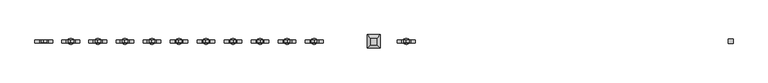
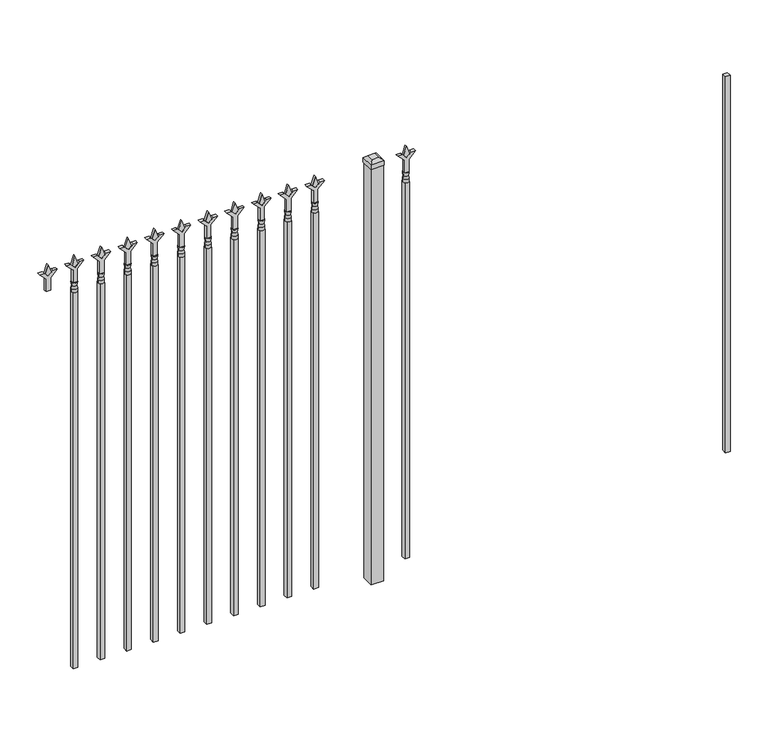
"""IFC4 building model written with IfcOpenShell, lengths in millimetres: railing geometry."""

from ifc_helpers import new_model, si_unit, frame, origin, origin_with_axes, place, context, project, spatial, polyline, circle_curve, outline, extrude, faceted_brep, source, transform, mapped, element, save
from ifc_brep_helpers import plane_surface, cylinder_surface, revolved_surface, advanced_brep


def railing_e61c3e27(model_context):
    return source(origin(), model_context, "Body", "SolidModel", [
        extrude(outline(polyline([(-64433.005587, 5470.2679826), (-64413.955587, 5470.2679826), (-64413.955587, 5451.2179826), (-64433.005587, 5451.2179826), (-64433.005587, 5470.2679826)])), frame((0.0, 0.0, 50.8), z_axis=(0.0, 0.0, 1.0), x_axis=(1.0, 0.0, 0.0)), (0.0, 0.0, 1.0), 1625.6),
        extrude(outline(polyline([(1793.08125, -65722.849337), (1828.8, -65734.755587), (1793.08125, -65746.661837), (1781.175, -65734.755587), (1793.08125, -65722.849337)])), frame((0.0, 5455.9804826, 0.0), z_axis=(0.0, 1.0, 0.0), x_axis=(0.0, 0.0, 1.0)), (0.0, 0.0, 1.0), 9.525),
        extrude(outline(polyline([(1717.675, -65726.024337), (1771.9457378, -65726.024337), (1799.1355122, -65698.8345625), (1799.1355122, -65716.7950747), (1781.175, -65734.755587), (1799.1355122, -65752.7160992), (1799.1355122, -65770.6766114), (1771.9457378, -65743.486837), (1717.675, -65743.486837), (1717.675, -65726.024337)])), frame((0.0, 5454.3929826, 0.0), z_axis=(0.0, 1.0, 0.0), x_axis=(0.0, 0.0, 1.0)), (0.0, 0.0, 1.0), 12.7),
        advanced_brep(
        [(-65722.849337, 5460.7429826, 1689.1), (-65746.661837, 5460.7429826, 1689.1), (-65746.661837, 5460.7429826, 1676.4), (-65722.849337, 5460.7429826, 1676.4), (-65725.0546688, 5460.7429826, 1701.6070585), (-65744.4565051, 5460.7429826, 1701.6070585), (-65722.849337, 5460.7429826, 1717.675), (-65746.661837, 5460.7429826, 1717.675), (-65734.755587, 5460.7429826, 1717.675), (-65734.755587, 5460.7429826, 1676.4)],
        [
            (0, 1, circle_curve(frame((-65734.755587, 5460.7429826, 1689.1), z_axis=(0.0, 0.0, -1.0), x_axis=(-1.0, 0.0, 0.0)), 11.90625)),
            (1, 2),
            (2, 3, circle_curve(frame((-65734.755587, 5460.7429826, 1676.4), z_axis=(0.0, 0.0, 1.0), x_axis=(-1.0, 0.0, 0.0)), 11.90625)),
            (3, 0),
            (1, 0, circle_curve(frame((-65734.755587, 5460.7429826, 1689.1), z_axis=(0.0, 0.0, -1.0), x_axis=(-1.0, 0.0, 0.0)), 11.90625)),
            (3, 2, circle_curve(frame((-65734.755587, 5460.7429826, 1676.4), z_axis=(0.0, 0.0, 1.0), x_axis=(-1.0, 0.0, 0.0)), 11.90625)),
            (4, 5, circle_curve(frame((-65734.755587, 5460.7429826, 1701.6070585), z_axis=(0.0, 0.0, -1.0), x_axis=(-1.0, 0.0, 0.0)), 9.7009181)),
            (5, 1),
            (0, 4),
            (5, 4, circle_curve(frame((-65734.755587, 5460.7429826, 1701.6070585), z_axis=(0.0, 0.0, -1.0), x_axis=(-1.0, 0.0, 0.0)), 9.7009181)),
            (6, 7, circle_curve(frame((-65734.755587, 5460.7429826, 1717.675), z_axis=(0.0, 0.0, -1.0), x_axis=(-1.0, 0.0, 0.0)), 11.90625)),
            (7, 5),
            (4, 6),
            (7, 6, circle_curve(frame((-65734.755587, 5460.7429826, 1717.675), z_axis=(0.0, 0.0, -1.0), x_axis=(-1.0, 0.0, 0.0)), 11.90625)),
            (8, 7),
            (6, 8),
            (2, 9),
            (9, 3),
        ],
        [
            cylinder_surface(frame((-65734.755587, 5460.7429826, 1676.4), z_axis=(0.0, 0.0, 1.0), x_axis=(-1.0, 0.0, 0.0)), 11.90625),
            revolved_surface(polyline([(-65746.661837, 5460.7429826, 1689.1), (-65744.4565051, 5460.7429826, 1701.6070585)]), (-65734.755587, 5460.7429826, 1676.4), (0.0, 0.0, 1.0)),
            revolved_surface(polyline([(-65744.4565051, 5460.7429826, 1701.6070585), (-65746.661837, 5460.7429826, 1717.675)]), (-65734.755587, 5460.7429826, 1676.4), (0.0, 0.0, 1.0)),
            plane_surface(frame((-65734.755587, 5460.7429826, 1717.675), z_axis=(0.0, 0.0, 1.0), x_axis=(-1.0, 0.0, 0.0))),
            plane_surface(frame((-65734.755587, 5460.7429826, 1676.4), z_axis=(0.0, 0.0, -1.0), x_axis=(-1.0, 0.0, 0.0))),
        ],
        [
            (0, [[1, 2, 3, 4]]),
            (0, [[5, -4, 6, -2]]),
            (1, [[7, 8, -1, 9]]),
            (1, [[10, -9, -5, -8]]),
            (2, [[11, 12, -7, 13]]),
            (2, [[14, -13, -10, -12]]),
            (3, [[15, -11, 16]]),
            (3, [[-16, -14, -15]]),
            (4, [[-3, 17, 18]]),
            (4, [[-6, -18, -17]]),
        ],
    ),
        extrude(outline(polyline([(-65744.280587, 5470.2679826), (-65725.230587, 5470.2679826), (-65725.230587, 5451.2179826), (-65744.280587, 5451.2179826), (-65744.280587, 5470.2679826)])), frame((0.0, 0.0, 50.8), z_axis=(0.0, 0.0, 1.0), x_axis=(1.0, 0.0, 0.0)), (0.0, 0.0, 1.0), 1625.6),
        extrude(outline(polyline([(-65841.118087, 5486.1429826), (-65841.118087, 5435.3429826), (-65891.918087, 5435.3429826), (-65891.918087, 5486.1429826), (-65841.118087, 5486.1429826)])), origin_with_axes(), (0.0, 0.0, 1.0), 1797.05),
        faceted_brep([(-65893.505587, 5487.7304826, 1816.1), (-65893.505587, 5487.7304826, 1797.05), (-65893.505587, 5433.7554826, 1797.05), (-65893.505587, 5433.7554826, 1816.1), (-65880.805587, 5475.0304826, 1828.8), (-65880.805587, 5446.4554826, 1828.8), (-65839.530587, 5433.7554826, 1797.05), (-65839.530587, 5433.7554826, 1816.1), (-65852.230587, 5446.4554826, 1828.8), (-65839.530587, 5487.7304826, 1797.05), (-65839.530587, 5487.7304826, 1816.1), (-65852.230587, 5475.0304826, 1828.8)], [[[0, 1, 2, 3]], [[4, 0, 3, 5]], [[3, 2, 6, 7]], [[5, 3, 7, 8]], [[7, 6, 9, 10]], [[8, 7, 10, 11]], [[10, 9, 1, 0]], [[11, 10, 0, 4]], [[5, 8, 11, 4]], [[1, 9, 6, 2]]]),
        extrude(outline(polyline([(1793.08125, -66095.6472536), (1828.8, -66107.5535036), (1793.08125, -66119.4597536), (1781.175, -66107.5535036), (1793.08125, -66095.6472536)])), frame((0.0, 5455.9804826, 0.0), z_axis=(0.0, 1.0, 0.0), x_axis=(0.0, 0.0, 1.0)), (0.0, 0.0, 1.0), 9.525),
        extrude(outline(polyline([(1717.675, -66098.8222536), (1771.9457378, -66098.8222536), (1799.1355122, -66071.6324791), (1799.1355122, -66089.5929914), (1781.175, -66107.5535036), (1799.1355122, -66125.5140159), (1799.1355122, -66143.4745281), (1771.9457378, -66116.2847536), (1717.675, -66116.2847536), (1717.675, -66098.8222536)])), frame((0.0, 5454.3929826, 0.0), z_axis=(0.0, 1.0, 0.0), x_axis=(0.0, 0.0, 1.0)), (0.0, 0.0, 1.0), 12.7),
        advanced_brep(
        [(-66095.6472536, 5460.7429826, 1689.1), (-66119.4597536, 5460.7429826, 1689.1), (-66119.4597536, 5460.7429826, 1676.4), (-66095.6472536, 5460.7429826, 1676.4), (-66097.8525855, 5460.7429826, 1701.6070585), (-66117.2544218, 5460.7429826, 1701.6070585), (-66095.6472536, 5460.7429826, 1717.675), (-66119.4597536, 5460.7429826, 1717.675), (-66107.5535036, 5460.7429826, 1717.675), (-66107.5535036, 5460.7429826, 1676.4)],
        [
            (0, 1, circle_curve(frame((-66107.5535036, 5460.7429826, 1689.1), z_axis=(0.0, 0.0, -1.0), x_axis=(-1.0, 0.0, 0.0)), 11.90625)),
            (1, 2),
            (2, 3, circle_curve(frame((-66107.5535036, 5460.7429826, 1676.4), z_axis=(0.0, 0.0, 1.0), x_axis=(-1.0, 0.0, 0.0)), 11.90625)),
            (3, 0),
            (1, 0, circle_curve(frame((-66107.5535036, 5460.7429826, 1689.1), z_axis=(0.0, 0.0, -1.0), x_axis=(-1.0, 0.0, 0.0)), 11.90625)),
            (3, 2, circle_curve(frame((-66107.5535036, 5460.7429826, 1676.4), z_axis=(0.0, 0.0, 1.0), x_axis=(-1.0, 0.0, 0.0)), 11.90625)),
            (4, 5, circle_curve(frame((-66107.5535036, 5460.7429826, 1701.6070585), z_axis=(0.0, 0.0, -1.0), x_axis=(-1.0, 0.0, 0.0)), 9.7009181)),
            (5, 1),
            (0, 4),
            (5, 4, circle_curve(frame((-66107.5535036, 5460.7429826, 1701.6070585), z_axis=(0.0, 0.0, -1.0), x_axis=(-1.0, 0.0, 0.0)), 9.7009181)),
            (6, 7, circle_curve(frame((-66107.5535036, 5460.7429826, 1717.675), z_axis=(0.0, 0.0, -1.0), x_axis=(-1.0, 0.0, 0.0)), 11.90625)),
            (7, 5),
            (4, 6),
            (7, 6, circle_curve(frame((-66107.5535036, 5460.7429826, 1717.675), z_axis=(0.0, 0.0, -1.0), x_axis=(-1.0, 0.0, 0.0)), 11.90625)),
            (8, 7),
            (6, 8),
            (2, 9),
            (9, 3),
        ],
        [
            cylinder_surface(frame((-66107.5535036, 5460.7429826, 1676.4), z_axis=(0.0, 0.0, 1.0), x_axis=(-1.0, 0.0, 0.0)), 11.90625),
            revolved_surface(polyline([(-66119.4597536, 5460.7429826, 1689.1), (-66117.2544218, 5460.7429826, 1701.6070585)]), (-66107.5535036, 5460.7429826, 1676.4), (0.0, 0.0, 1.0)),
            revolved_surface(polyline([(-66117.2544218, 5460.7429826, 1701.6070585), (-66119.4597536, 5460.7429826, 1717.675)]), (-66107.5535036, 5460.7429826, 1676.4), (0.0, 0.0, 1.0)),
            plane_surface(frame((-66107.5535036, 5460.7429826, 1717.675), z_axis=(0.0, 0.0, 1.0), x_axis=(-1.0, 0.0, 0.0))),
            plane_surface(frame((-66107.5535036, 5460.7429826, 1676.4), z_axis=(0.0, 0.0, -1.0), x_axis=(-1.0, 0.0, 0.0))),
        ],
        [
            (0, [[1, 2, 3, 4]]),
            (0, [[5, -4, 6, -2]]),
            (1, [[7, 8, -1, 9]]),
            (1, [[10, -9, -5, -8]]),
            (2, [[11, 12, -7, 13]]),
            (2, [[14, -13, -10, -12]]),
            (3, [[15, -11, 16]]),
            (3, [[-16, -14, -15]]),
            (4, [[-3, 17, 18]]),
            (4, [[-6, -18, -17]]),
        ],
    ),
        extrude(outline(polyline([(-66117.0785036, 5470.2679826), (-66098.0285036, 5470.2679826), (-66098.0285036, 5451.2179826), (-66117.0785036, 5451.2179826), (-66117.0785036, 5470.2679826)])), frame((0.0, 0.0, 50.8), z_axis=(0.0, 0.0, 1.0), x_axis=(1.0, 0.0, 0.0)), (0.0, 0.0, 1.0), 1625.6),
        extrude(outline(polyline([(1793.08125, -66204.9201703), (1828.8, -66216.8264203), (1793.08125, -66228.7326703), (1781.175, -66216.8264203), (1793.08125, -66204.9201703)])), frame((0.0, 5455.9804826, 0.0), z_axis=(0.0, 1.0, 0.0), x_axis=(0.0, 0.0, 1.0)), (0.0, 0.0, 1.0), 9.525),
        extrude(outline(polyline([(1717.675, -66208.0951703), (1771.9457378, -66208.0951703), (1799.1355122, -66180.9053958), (1799.1355122, -66198.8659081), (1781.175, -66216.8264203), (1799.1355122, -66234.7869325), (1799.1355122, -66252.7474448), (1771.9457378, -66225.5576703), (1717.675, -66225.5576703), (1717.675, -66208.0951703)])), frame((0.0, 5454.3929826, 0.0), z_axis=(0.0, 1.0, 0.0), x_axis=(0.0, 0.0, 1.0)), (0.0, 0.0, 1.0), 12.7),
        advanced_brep(
        [(-66204.9201703, 5460.7429826, 1689.1), (-66228.7326703, 5460.7429826, 1689.1), (-66228.7326703, 5460.7429826, 1676.4), (-66204.9201703, 5460.7429826, 1676.4), (-66207.1255022, 5460.7429826, 1701.6070585), (-66226.5273384, 5460.7429826, 1701.6070585), (-66204.9201703, 5460.7429826, 1717.675), (-66228.7326703, 5460.7429826, 1717.675), (-66216.8264203, 5460.7429826, 1717.675), (-66216.8264203, 5460.7429826, 1676.4)],
        [
            (0, 1, circle_curve(frame((-66216.8264203, 5460.7429826, 1689.1), z_axis=(0.0, 0.0, -1.0), x_axis=(-1.0, 0.0, 0.0)), 11.90625)),
            (1, 2),
            (2, 3, circle_curve(frame((-66216.8264203, 5460.7429826, 1676.4), z_axis=(0.0, 0.0, 1.0), x_axis=(-1.0, 0.0, 0.0)), 11.90625)),
            (3, 0),
            (1, 0, circle_curve(frame((-66216.8264203, 5460.7429826, 1689.1), z_axis=(0.0, 0.0, -1.0), x_axis=(-1.0, 0.0, 0.0)), 11.90625)),
            (3, 2, circle_curve(frame((-66216.8264203, 5460.7429826, 1676.4), z_axis=(0.0, 0.0, 1.0), x_axis=(-1.0, 0.0, 0.0)), 11.90625)),
            (4, 5, circle_curve(frame((-66216.8264203, 5460.7429826, 1701.6070585), z_axis=(0.0, 0.0, -1.0), x_axis=(-1.0, 0.0, 0.0)), 9.7009181)),
            (5, 1),
            (0, 4),
            (5, 4, circle_curve(frame((-66216.8264203, 5460.7429826, 1701.6070585), z_axis=(0.0, 0.0, -1.0), x_axis=(-1.0, 0.0, 0.0)), 9.7009181)),
            (6, 7, circle_curve(frame((-66216.8264203, 5460.7429826, 1717.675), z_axis=(0.0, 0.0, -1.0), x_axis=(-1.0, 0.0, 0.0)), 11.90625)),
            (7, 5),
            (4, 6),
            (7, 6, circle_curve(frame((-66216.8264203, 5460.7429826, 1717.675), z_axis=(0.0, 0.0, -1.0), x_axis=(-1.0, 0.0, 0.0)), 11.90625)),
            (8, 7),
            (6, 8),
            (2, 9),
            (9, 3),
        ],
        [
            cylinder_surface(frame((-66216.8264203, 5460.7429826, 1676.4), z_axis=(0.0, 0.0, 1.0), x_axis=(-1.0, 0.0, 0.0)), 11.90625),
            revolved_surface(polyline([(-66228.7326703, 5460.7429826, 1689.1), (-66226.5273384, 5460.7429826, 1701.6070585)]), (-66216.8264203, 5460.7429826, 1676.4), (0.0, 0.0, 1.0)),
            revolved_surface(polyline([(-66226.5273384, 5460.7429826, 1701.6070585), (-66228.7326703, 5460.7429826, 1717.675)]), (-66216.8264203, 5460.7429826, 1676.4), (0.0, 0.0, 1.0)),
            plane_surface(frame((-66216.8264203, 5460.7429826, 1717.675), z_axis=(0.0, 0.0, 1.0), x_axis=(-1.0, 0.0, 0.0))),
            plane_surface(frame((-66216.8264203, 5460.7429826, 1676.4), z_axis=(0.0, 0.0, -1.0), x_axis=(-1.0, 0.0, 0.0))),
        ],
        [
            (0, [[1, 2, 3, 4]]),
            (0, [[5, -4, 6, -2]]),
            (1, [[7, 8, -1, 9]]),
            (1, [[10, -9, -5, -8]]),
            (2, [[11, 12, -7, 13]]),
            (2, [[14, -13, -10, -12]]),
            (3, [[15, -11, 16]]),
            (3, [[-16, -14, -15]]),
            (4, [[-3, 17, 18]]),
            (4, [[-6, -18, -17]]),
        ],
    ),
        extrude(outline(polyline([(-66226.3514203, 5470.2679826), (-66207.3014203, 5470.2679826), (-66207.3014203, 5451.2179826), (-66226.3514203, 5451.2179826), (-66226.3514203, 5470.2679826)])), frame((0.0, 0.0, 50.8), z_axis=(0.0, 0.0, 1.0), x_axis=(1.0, 0.0, 0.0)), (0.0, 0.0, 1.0), 1625.6),
        extrude(outline(polyline([(1793.08125, -66314.193087), (1828.8, -66326.099337), (1793.08125, -66338.005587), (1781.175, -66326.099337), (1793.08125, -66314.193087)])), frame((0.0, 5455.9804826, 0.0), z_axis=(0.0, 1.0, 0.0), x_axis=(0.0, 0.0, 1.0)), (0.0, 0.0, 1.0), 9.525),
        extrude(outline(polyline([(1717.675, -66317.368087), (1771.9457378, -66317.368087), (1799.1355122, -66290.1783125), (1799.1355122, -66308.1388247), (1781.175, -66326.099337), (1799.1355122, -66344.0598492), (1799.1355122, -66362.0203614), (1771.9457378, -66334.830587), (1717.675, -66334.830587), (1717.675, -66317.368087)])), frame((0.0, 5454.3929826, 0.0), z_axis=(0.0, 1.0, 0.0), x_axis=(0.0, 0.0, 1.0)), (0.0, 0.0, 1.0), 12.7),
        advanced_brep(
        [(-66314.193087, 5460.7429826, 1689.1), (-66338.005587, 5460.7429826, 1689.1), (-66338.005587, 5460.7429826, 1676.4), (-66314.193087, 5460.7429826, 1676.4), (-66316.3984188, 5460.7429826, 1701.6070585), (-66335.8002551, 5460.7429826, 1701.6070585), (-66314.193087, 5460.7429826, 1717.675), (-66338.005587, 5460.7429826, 1717.675), (-66326.099337, 5460.7429826, 1717.675), (-66326.099337, 5460.7429826, 1676.4)],
        [
            (0, 1, circle_curve(frame((-66326.099337, 5460.7429826, 1689.1), z_axis=(0.0, 0.0, -1.0), x_axis=(-1.0, 0.0, 0.0)), 11.90625)),
            (1, 2),
            (2, 3, circle_curve(frame((-66326.099337, 5460.7429826, 1676.4), z_axis=(0.0, 0.0, 1.0), x_axis=(-1.0, 0.0, 0.0)), 11.90625)),
            (3, 0),
            (1, 0, circle_curve(frame((-66326.099337, 5460.7429826, 1689.1), z_axis=(0.0, 0.0, -1.0), x_axis=(-1.0, 0.0, 0.0)), 11.90625)),
            (3, 2, circle_curve(frame((-66326.099337, 5460.7429826, 1676.4), z_axis=(0.0, 0.0, 1.0), x_axis=(-1.0, 0.0, 0.0)), 11.90625)),
            (4, 5, circle_curve(frame((-66326.099337, 5460.7429826, 1701.6070585), z_axis=(0.0, 0.0, -1.0), x_axis=(-1.0, 0.0, 0.0)), 9.7009181)),
            (5, 1),
            (0, 4),
            (5, 4, circle_curve(frame((-66326.099337, 5460.7429826, 1701.6070585), z_axis=(0.0, 0.0, -1.0), x_axis=(-1.0, 0.0, 0.0)), 9.7009181)),
            (6, 7, circle_curve(frame((-66326.099337, 5460.7429826, 1717.675), z_axis=(0.0, 0.0, -1.0), x_axis=(-1.0, 0.0, 0.0)), 11.90625)),
            (7, 5),
            (4, 6),
            (7, 6, circle_curve(frame((-66326.099337, 5460.7429826, 1717.675), z_axis=(0.0, 0.0, -1.0), x_axis=(-1.0, 0.0, 0.0)), 11.90625)),
            (8, 7),
            (6, 8),
            (2, 9),
            (9, 3),
        ],
        [
            cylinder_surface(frame((-66326.099337, 5460.7429826, 1676.4), z_axis=(0.0, 0.0, 1.0), x_axis=(-1.0, 0.0, 0.0)), 11.90625),
            revolved_surface(polyline([(-66338.005587, 5460.7429826, 1689.1), (-66335.8002551, 5460.7429826, 1701.6070585)]), (-66326.099337, 5460.7429826, 1676.4), (0.0, 0.0, 1.0)),
            revolved_surface(polyline([(-66335.8002551, 5460.7429826, 1701.6070585), (-66338.005587, 5460.7429826, 1717.675)]), (-66326.099337, 5460.7429826, 1676.4), (0.0, 0.0, 1.0)),
            plane_surface(frame((-66326.099337, 5460.7429826, 1717.675), z_axis=(0.0, 0.0, 1.0), x_axis=(-1.0, 0.0, 0.0))),
            plane_surface(frame((-66326.099337, 5460.7429826, 1676.4), z_axis=(0.0, 0.0, -1.0), x_axis=(-1.0, 0.0, 0.0))),
        ],
        [
            (0, [[1, 2, 3, 4]]),
            (0, [[5, -4, 6, -2]]),
            (1, [[7, 8, -1, 9]]),
            (1, [[10, -9, -5, -8]]),
            (2, [[11, 12, -7, 13]]),
            (2, [[14, -13, -10, -12]]),
            (3, [[15, -11, 16]]),
            (3, [[-16, -14, -15]]),
            (4, [[-3, 17, 18]]),
            (4, [[-6, -18, -17]]),
        ],
    ),
        extrude(outline(polyline([(-66335.624337, 5470.2679826), (-66316.574337, 5470.2679826), (-66316.574337, 5451.2179826), (-66335.624337, 5451.2179826), (-66335.624337, 5470.2679826)])), frame((0.0, 0.0, 50.8), z_axis=(0.0, 0.0, 1.0), x_axis=(1.0, 0.0, 0.0)), (0.0, 0.0, 1.0), 1625.6),
        extrude(outline(polyline([(1793.08125, -66423.4660036), (1828.8, -66435.3722536), (1793.08125, -66447.2785036), (1781.175, -66435.3722536), (1793.08125, -66423.4660036)])), frame((0.0, 5455.9804826, 0.0), z_axis=(0.0, 1.0, 0.0), x_axis=(0.0, 0.0, 1.0)), (0.0, 0.0, 1.0), 9.525),
        extrude(outline(polyline([(1717.675, -66426.6410036), (1771.9457378, -66426.6410036), (1799.1355122, -66399.4512291), (1799.1355122, -66417.4117414), (1781.175, -66435.3722536), (1799.1355122, -66453.3327659), (1799.1355122, -66471.2932781), (1771.9457378, -66444.1035036), (1717.675, -66444.1035036), (1717.675, -66426.6410036)])), frame((0.0, 5454.3929826, 0.0), z_axis=(0.0, 1.0, 0.0), x_axis=(0.0, 0.0, 1.0)), (0.0, 0.0, 1.0), 12.7),
        advanced_brep(
        [(-66423.4660036, 5460.7429826, 1689.1), (-66447.2785036, 5460.7429826, 1689.1), (-66447.2785036, 5460.7429826, 1676.4), (-66423.4660036, 5460.7429826, 1676.4), (-66425.6713355, 5460.7429826, 1701.6070585), (-66445.0731718, 5460.7429826, 1701.6070585), (-66423.4660036, 5460.7429826, 1717.675), (-66447.2785036, 5460.7429826, 1717.675), (-66435.3722536, 5460.7429826, 1717.675), (-66435.3722536, 5460.7429826, 1676.4)],
        [
            (0, 1, circle_curve(frame((-66435.3722536, 5460.7429826, 1689.1), z_axis=(0.0, 0.0, -1.0), x_axis=(-1.0, 0.0, 0.0)), 11.90625)),
            (1, 2),
            (2, 3, circle_curve(frame((-66435.3722536, 5460.7429826, 1676.4), z_axis=(0.0, 0.0, 1.0), x_axis=(-1.0, 0.0, 0.0)), 11.90625)),
            (3, 0),
            (1, 0, circle_curve(frame((-66435.3722536, 5460.7429826, 1689.1), z_axis=(0.0, 0.0, -1.0), x_axis=(-1.0, 0.0, 0.0)), 11.90625)),
            (3, 2, circle_curve(frame((-66435.3722536, 5460.7429826, 1676.4), z_axis=(0.0, 0.0, 1.0), x_axis=(-1.0, 0.0, 0.0)), 11.90625)),
            (4, 5, circle_curve(frame((-66435.3722536, 5460.7429826, 1701.6070585), z_axis=(0.0, 0.0, -1.0), x_axis=(-1.0, 0.0, 0.0)), 9.7009181)),
            (5, 1),
            (0, 4),
            (5, 4, circle_curve(frame((-66435.3722536, 5460.7429826, 1701.6070585), z_axis=(0.0, 0.0, -1.0), x_axis=(-1.0, 0.0, 0.0)), 9.7009181)),
            (6, 7, circle_curve(frame((-66435.3722536, 5460.7429826, 1717.675), z_axis=(0.0, 0.0, -1.0), x_axis=(-1.0, 0.0, 0.0)), 11.90625)),
            (7, 5),
            (4, 6),
            (7, 6, circle_curve(frame((-66435.3722536, 5460.7429826, 1717.675), z_axis=(0.0, 0.0, -1.0), x_axis=(-1.0, 0.0, 0.0)), 11.90625)),
            (8, 7),
            (6, 8),
            (2, 9),
            (9, 3),
        ],
        [
            cylinder_surface(frame((-66435.3722536, 5460.7429826, 1676.4), z_axis=(0.0, 0.0, 1.0), x_axis=(-1.0, 0.0, 0.0)), 11.90625),
            revolved_surface(polyline([(-66447.2785036, 5460.7429826, 1689.1), (-66445.0731718, 5460.7429826, 1701.6070585)]), (-66435.3722536, 5460.7429826, 1676.4), (0.0, 0.0, 1.0)),
            revolved_surface(polyline([(-66445.0731718, 5460.7429826, 1701.6070585), (-66447.2785036, 5460.7429826, 1717.675)]), (-66435.3722536, 5460.7429826, 1676.4), (0.0, 0.0, 1.0)),
            plane_surface(frame((-66435.3722536, 5460.7429826, 1717.675), z_axis=(0.0, 0.0, 1.0), x_axis=(-1.0, 0.0, 0.0))),
            plane_surface(frame((-66435.3722536, 5460.7429826, 1676.4), z_axis=(0.0, 0.0, -1.0), x_axis=(-1.0, 0.0, 0.0))),
        ],
        [
            (0, [[1, 2, 3, 4]]),
            (0, [[5, -4, 6, -2]]),
            (1, [[7, 8, -1, 9]]),
            (1, [[10, -9, -5, -8]]),
            (2, [[11, 12, -7, 13]]),
            (2, [[14, -13, -10, -12]]),
            (3, [[15, -11, 16]]),
            (3, [[-16, -14, -15]]),
            (4, [[-3, 17, 18]]),
            (4, [[-6, -18, -17]]),
        ],
    ),
        extrude(outline(polyline([(-66444.8972536, 5470.2679826), (-66425.8472536, 5470.2679826), (-66425.8472536, 5451.2179826), (-66444.8972536, 5451.2179826), (-66444.8972536, 5470.2679826)])), frame((0.0, 0.0, 50.8), z_axis=(0.0, 0.0, 1.0), x_axis=(1.0, 0.0, 0.0)), (0.0, 0.0, 1.0), 1625.6),
        extrude(outline(polyline([(1793.08125, -66532.7389203), (1828.8, -66544.6451703), (1793.08125, -66556.5514203), (1781.175, -66544.6451703), (1793.08125, -66532.7389203)])), frame((0.0, 5455.9804826, 0.0), z_axis=(0.0, 1.0, 0.0), x_axis=(0.0, 0.0, 1.0)), (0.0, 0.0, 1.0), 9.525),
        extrude(outline(polyline([(1717.675, -66535.9139203), (1771.9457378, -66535.9139203), (1799.1355122, -66508.7241458), (1799.1355122, -66526.6846581), (1781.175, -66544.6451703), (1799.1355122, -66562.6056825), (1799.1355122, -66580.5661948), (1771.9457378, -66553.3764203), (1717.675, -66553.3764203), (1717.675, -66535.9139203)])), frame((0.0, 5454.3929826, 0.0), z_axis=(0.0, 1.0, 0.0), x_axis=(0.0, 0.0, 1.0)), (0.0, 0.0, 1.0), 12.7),
        advanced_brep(
        [(-66532.7389203, 5460.7429826, 1689.1), (-66556.5514203, 5460.7429826, 1689.1), (-66556.5514203, 5460.7429826, 1676.4), (-66532.7389203, 5460.7429826, 1676.4), (-66534.9442522, 5460.7429826, 1701.6070585), (-66554.3460884, 5460.7429826, 1701.6070585), (-66532.7389203, 5460.7429826, 1717.675), (-66556.5514203, 5460.7429826, 1717.675), (-66544.6451703, 5460.7429826, 1717.675), (-66544.6451703, 5460.7429826, 1676.4)],
        [
            (0, 1, circle_curve(frame((-66544.6451703, 5460.7429826, 1689.1), z_axis=(0.0, 0.0, -1.0), x_axis=(-1.0, 0.0, 0.0)), 11.90625)),
            (1, 2),
            (2, 3, circle_curve(frame((-66544.6451703, 5460.7429826, 1676.4), z_axis=(0.0, 0.0, 1.0), x_axis=(-1.0, 0.0, 0.0)), 11.90625)),
            (3, 0),
            (1, 0, circle_curve(frame((-66544.6451703, 5460.7429826, 1689.1), z_axis=(0.0, 0.0, -1.0), x_axis=(-1.0, 0.0, 0.0)), 11.90625)),
            (3, 2, circle_curve(frame((-66544.6451703, 5460.7429826, 1676.4), z_axis=(0.0, 0.0, 1.0), x_axis=(-1.0, 0.0, 0.0)), 11.90625)),
            (4, 5, circle_curve(frame((-66544.6451703, 5460.7429826, 1701.6070585), z_axis=(0.0, 0.0, -1.0), x_axis=(-1.0, 0.0, 0.0)), 9.7009181)),
            (5, 1),
            (0, 4),
            (5, 4, circle_curve(frame((-66544.6451703, 5460.7429826, 1701.6070585), z_axis=(0.0, 0.0, -1.0), x_axis=(-1.0, 0.0, 0.0)), 9.7009181)),
            (6, 7, circle_curve(frame((-66544.6451703, 5460.7429826, 1717.675), z_axis=(0.0, 0.0, -1.0), x_axis=(-1.0, 0.0, 0.0)), 11.90625)),
            (7, 5),
            (4, 6),
            (7, 6, circle_curve(frame((-66544.6451703, 5460.7429826, 1717.675), z_axis=(0.0, 0.0, -1.0), x_axis=(-1.0, 0.0, 0.0)), 11.90625)),
            (8, 7),
            (6, 8),
            (2, 9),
            (9, 3),
        ],
        [
            cylinder_surface(frame((-66544.6451703, 5460.7429826, 1676.4), z_axis=(0.0, 0.0, 1.0), x_axis=(-1.0, 0.0, 0.0)), 11.90625),
            revolved_surface(polyline([(-66556.5514203, 5460.7429826, 1689.1), (-66554.3460884, 5460.7429826, 1701.6070585)]), (-66544.6451703, 5460.7429826, 1676.4), (0.0, 0.0, 1.0)),
            revolved_surface(polyline([(-66554.3460884, 5460.7429826, 1701.6070585), (-66556.5514203, 5460.7429826, 1717.675)]), (-66544.6451703, 5460.7429826, 1676.4), (0.0, 0.0, 1.0)),
            plane_surface(frame((-66544.6451703, 5460.7429826, 1717.675), z_axis=(0.0, 0.0, 1.0), x_axis=(-1.0, 0.0, 0.0))),
            plane_surface(frame((-66544.6451703, 5460.7429826, 1676.4), z_axis=(0.0, 0.0, -1.0), x_axis=(-1.0, 0.0, 0.0))),
        ],
        [
            (0, [[1, 2, 3, 4]]),
            (0, [[5, -4, 6, -2]]),
            (1, [[7, 8, -1, 9]]),
            (1, [[10, -9, -5, -8]]),
            (2, [[11, 12, -7, 13]]),
            (2, [[14, -13, -10, -12]]),
            (3, [[15, -11, 16]]),
            (3, [[-16, -14, -15]]),
            (4, [[-3, 17, 18]]),
            (4, [[-6, -18, -17]]),
        ],
    ),
        extrude(outline(polyline([(-66554.1701703, 5470.2679826), (-66535.1201703, 5470.2679826), (-66535.1201703, 5451.2179826), (-66554.1701703, 5451.2179826), (-66554.1701703, 5470.2679826)])), frame((0.0, 0.0, 50.8), z_axis=(0.0, 0.0, 1.0), x_axis=(1.0, 0.0, 0.0)), (0.0, 0.0, 1.0), 1625.6),
        extrude(outline(polyline([(1793.08125, -66642.011837), (1828.8, -66653.918087), (1793.08125, -66665.824337), (1781.175, -66653.918087), (1793.08125, -66642.011837)])), frame((0.0, 5455.9804826, 0.0), z_axis=(0.0, 1.0, 0.0), x_axis=(0.0, 0.0, 1.0)), (0.0, 0.0, 1.0), 9.525),
        extrude(outline(polyline([(1717.675, -66645.186837), (1771.9457378, -66645.186837), (1799.1355122, -66617.9970625), (1799.1355122, -66635.9575747), (1781.175, -66653.918087), (1799.1355122, -66671.8785992), (1799.1355122, -66689.8391114), (1771.9457378, -66662.649337), (1717.675, -66662.649337), (1717.675, -66645.186837)])), frame((0.0, 5454.3929826, 0.0), z_axis=(0.0, 1.0, 0.0), x_axis=(0.0, 0.0, 1.0)), (0.0, 0.0, 1.0), 12.7),
        advanced_brep(
        [(-66642.011837, 5460.7429826, 1689.1), (-66665.824337, 5460.7429826, 1689.1), (-66665.824337, 5460.7429826, 1676.4), (-66642.011837, 5460.7429826, 1676.4), (-66644.2171688, 5460.7429826, 1701.6070585), (-66663.6190051, 5460.7429826, 1701.6070585), (-66642.011837, 5460.7429826, 1717.675), (-66665.824337, 5460.7429826, 1717.675), (-66653.918087, 5460.7429826, 1717.675), (-66653.918087, 5460.7429826, 1676.4)],
        [
            (0, 1, circle_curve(frame((-66653.918087, 5460.7429826, 1689.1), z_axis=(0.0, 0.0, -1.0), x_axis=(-1.0, 0.0, 0.0)), 11.90625)),
            (1, 2),
            (2, 3, circle_curve(frame((-66653.918087, 5460.7429826, 1676.4), z_axis=(0.0, 0.0, 1.0), x_axis=(-1.0, 0.0, 0.0)), 11.90625)),
            (3, 0),
            (1, 0, circle_curve(frame((-66653.918087, 5460.7429826, 1689.1), z_axis=(0.0, 0.0, -1.0), x_axis=(-1.0, 0.0, 0.0)), 11.90625)),
            (3, 2, circle_curve(frame((-66653.918087, 5460.7429826, 1676.4), z_axis=(0.0, 0.0, 1.0), x_axis=(-1.0, 0.0, 0.0)), 11.90625)),
            (4, 5, circle_curve(frame((-66653.918087, 5460.7429826, 1701.6070585), z_axis=(0.0, 0.0, -1.0), x_axis=(-1.0, 0.0, 0.0)), 9.7009181)),
            (5, 1),
            (0, 4),
            (5, 4, circle_curve(frame((-66653.918087, 5460.7429826, 1701.6070585), z_axis=(0.0, 0.0, -1.0), x_axis=(-1.0, 0.0, 0.0)), 9.7009181)),
            (6, 7, circle_curve(frame((-66653.918087, 5460.7429826, 1717.675), z_axis=(0.0, 0.0, -1.0), x_axis=(-1.0, 0.0, 0.0)), 11.90625)),
            (7, 5),
            (4, 6),
            (7, 6, circle_curve(frame((-66653.918087, 5460.7429826, 1717.675), z_axis=(0.0, 0.0, -1.0), x_axis=(-1.0, 0.0, 0.0)), 11.90625)),
            (8, 7),
            (6, 8),
            (2, 9),
            (9, 3),
        ],
        [
            cylinder_surface(frame((-66653.918087, 5460.7429826, 1676.4), z_axis=(0.0, 0.0, 1.0), x_axis=(-1.0, 0.0, 0.0)), 11.90625),
            revolved_surface(polyline([(-66665.824337, 5460.7429826, 1689.1), (-66663.6190051, 5460.7429826, 1701.6070585)]), (-66653.918087, 5460.7429826, 1676.4), (0.0, 0.0, 1.0)),
            revolved_surface(polyline([(-66663.6190051, 5460.7429826, 1701.6070585), (-66665.824337, 5460.7429826, 1717.675)]), (-66653.918087, 5460.7429826, 1676.4), (0.0, 0.0, 1.0)),
            plane_surface(frame((-66653.918087, 5460.7429826, 1717.675), z_axis=(0.0, 0.0, 1.0), x_axis=(-1.0, 0.0, 0.0))),
            plane_surface(frame((-66653.918087, 5460.7429826, 1676.4), z_axis=(0.0, 0.0, -1.0), x_axis=(-1.0, 0.0, 0.0))),
        ],
        [
            (0, [[1, 2, 3, 4]]),
            (0, [[5, -4, 6, -2]]),
            (1, [[7, 8, -1, 9]]),
            (1, [[10, -9, -5, -8]]),
            (2, [[11, 12, -7, 13]]),
            (2, [[14, -13, -10, -12]]),
            (3, [[15, -11, 16]]),
            (3, [[-16, -14, -15]]),
            (4, [[-3, 17, 18]]),
            (4, [[-6, -18, -17]]),
        ],
    ),
        extrude(outline(polyline([(-66663.443087, 5470.2679826), (-66644.393087, 5470.2679826), (-66644.393087, 5451.2179826), (-66663.443087, 5451.2179826), (-66663.443087, 5470.2679826)])), frame((0.0, 0.0, 50.8), z_axis=(0.0, 0.0, 1.0), x_axis=(1.0, 0.0, 0.0)), (0.0, 0.0, 1.0), 1625.6),
        extrude(outline(polyline([(1793.08125, -66751.2847536), (1828.8, -66763.1910036), (1793.08125, -66775.0972536), (1781.175, -66763.1910036), (1793.08125, -66751.2847536)])), frame((0.0, 5455.9804826, 0.0), z_axis=(0.0, 1.0, 0.0), x_axis=(0.0, 0.0, 1.0)), (0.0, 0.0, 1.0), 9.525),
        extrude(outline(polyline([(1717.675, -66754.4597536), (1771.9457378, -66754.4597536), (1799.1355122, -66727.2699791), (1799.1355122, -66745.2304914), (1781.175, -66763.1910036), (1799.1355122, -66781.1515159), (1799.1355122, -66799.1120281), (1771.9457378, -66771.9222536), (1717.675, -66771.9222536), (1717.675, -66754.4597536)])), frame((0.0, 5454.3929826, 0.0), z_axis=(0.0, 1.0, 0.0), x_axis=(0.0, 0.0, 1.0)), (0.0, 0.0, 1.0), 12.7),
        advanced_brep(
        [(-66751.2847536, 5460.7429826, 1689.1), (-66775.0972536, 5460.7429826, 1689.1), (-66775.0972536, 5460.7429826, 1676.4), (-66751.2847536, 5460.7429826, 1676.4), (-66753.4900855, 5460.7429826, 1701.6070585), (-66772.8919218, 5460.7429826, 1701.6070585), (-66751.2847536, 5460.7429826, 1717.675), (-66775.0972536, 5460.7429826, 1717.675), (-66763.1910036, 5460.7429826, 1717.675), (-66763.1910036, 5460.7429826, 1676.4)],
        [
            (0, 1, circle_curve(frame((-66763.1910036, 5460.7429826, 1689.1), z_axis=(0.0, 0.0, -1.0), x_axis=(-1.0, 0.0, 0.0)), 11.90625)),
            (1, 2),
            (2, 3, circle_curve(frame((-66763.1910036, 5460.7429826, 1676.4), z_axis=(0.0, 0.0, 1.0), x_axis=(-1.0, 0.0, 0.0)), 11.90625)),
            (3, 0),
            (1, 0, circle_curve(frame((-66763.1910036, 5460.7429826, 1689.1), z_axis=(0.0, 0.0, -1.0), x_axis=(-1.0, 0.0, 0.0)), 11.90625)),
            (3, 2, circle_curve(frame((-66763.1910036, 5460.7429826, 1676.4), z_axis=(0.0, 0.0, 1.0), x_axis=(-1.0, 0.0, 0.0)), 11.90625)),
            (4, 5, circle_curve(frame((-66763.1910036, 5460.7429826, 1701.6070585), z_axis=(0.0, 0.0, -1.0), x_axis=(-1.0, 0.0, 0.0)), 9.7009181)),
            (5, 1),
            (0, 4),
            (5, 4, circle_curve(frame((-66763.1910036, 5460.7429826, 1701.6070585), z_axis=(0.0, 0.0, -1.0), x_axis=(-1.0, 0.0, 0.0)), 9.7009181)),
            (6, 7, circle_curve(frame((-66763.1910036, 5460.7429826, 1717.675), z_axis=(0.0, 0.0, -1.0), x_axis=(-1.0, 0.0, 0.0)), 11.90625)),
            (7, 5),
            (4, 6),
            (7, 6, circle_curve(frame((-66763.1910036, 5460.7429826, 1717.675), z_axis=(0.0, 0.0, -1.0), x_axis=(-1.0, 0.0, 0.0)), 11.90625)),
            (8, 7),
            (6, 8),
            (2, 9),
            (9, 3),
        ],
        [
            cylinder_surface(frame((-66763.1910036, 5460.7429826, 1676.4), z_axis=(0.0, 0.0, 1.0), x_axis=(-1.0, 0.0, 0.0)), 11.90625),
            revolved_surface(polyline([(-66775.0972536, 5460.7429826, 1689.1), (-66772.8919218, 5460.7429826, 1701.6070585)]), (-66763.1910036, 5460.7429826, 1676.4), (0.0, 0.0, 1.0)),
            revolved_surface(polyline([(-66772.8919218, 5460.7429826, 1701.6070585), (-66775.0972536, 5460.7429826, 1717.675)]), (-66763.1910036, 5460.7429826, 1676.4), (0.0, 0.0, 1.0)),
            plane_surface(frame((-66763.1910036, 5460.7429826, 1717.675), z_axis=(0.0, 0.0, 1.0), x_axis=(-1.0, 0.0, 0.0))),
            plane_surface(frame((-66763.1910036, 5460.7429826, 1676.4), z_axis=(0.0, 0.0, -1.0), x_axis=(-1.0, 0.0, 0.0))),
        ],
        [
            (0, [[1, 2, 3, 4]]),
            (0, [[5, -4, 6, -2]]),
            (1, [[7, 8, -1, 9]]),
            (1, [[10, -9, -5, -8]]),
            (2, [[11, 12, -7, 13]]),
            (2, [[14, -13, -10, -12]]),
            (3, [[15, -11, 16]]),
            (3, [[-16, -14, -15]]),
            (4, [[-3, 17, 18]]),
            (4, [[-6, -18, -17]]),
        ],
    ),
        extrude(outline(polyline([(-66772.7160036, 5470.2679826), (-66753.6660036, 5470.2679826), (-66753.6660036, 5451.2179826), (-66772.7160036, 5451.2179826), (-66772.7160036, 5470.2679826)])), frame((0.0, 0.0, 50.8), z_axis=(0.0, 0.0, 1.0), x_axis=(1.0, 0.0, 0.0)), (0.0, 0.0, 1.0), 1625.6),
        extrude(outline(polyline([(1793.08125, -66860.5576703), (1828.8, -66872.4639203), (1793.08125, -66884.3701703), (1781.175, -66872.4639203), (1793.08125, -66860.5576703)])), frame((0.0, 5455.9804826, 0.0), z_axis=(0.0, 1.0, 0.0), x_axis=(0.0, 0.0, 1.0)), (0.0, 0.0, 1.0), 9.525),
        extrude(outline(polyline([(1717.675, -66863.7326703), (1771.9457378, -66863.7326703), (1799.1355122, -66836.5428958), (1799.1355122, -66854.5034081), (1781.175, -66872.4639203), (1799.1355122, -66890.4244325), (1799.1355122, -66908.3849448), (1771.9457378, -66881.1951703), (1717.675, -66881.1951703), (1717.675, -66863.7326703)])), frame((0.0, 5454.3929826, 0.0), z_axis=(0.0, 1.0, 0.0), x_axis=(0.0, 0.0, 1.0)), (0.0, 0.0, 1.0), 12.7),
        advanced_brep(
        [(-66860.5576703, 5460.7429826, 1689.1), (-66884.3701703, 5460.7429826, 1689.1), (-66884.3701703, 5460.7429826, 1676.4), (-66860.5576703, 5460.7429826, 1676.4), (-66862.7630022, 5460.7429826, 1701.6070585), (-66882.1648384, 5460.7429826, 1701.6070585), (-66860.5576703, 5460.7429826, 1717.675), (-66884.3701703, 5460.7429826, 1717.675), (-66872.4639203, 5460.7429826, 1717.675), (-66872.4639203, 5460.7429826, 1676.4)],
        [
            (0, 1, circle_curve(frame((-66872.4639203, 5460.7429826, 1689.1), z_axis=(0.0, 0.0, -1.0), x_axis=(-1.0, 0.0, 0.0)), 11.90625)),
            (1, 2),
            (2, 3, circle_curve(frame((-66872.4639203, 5460.7429826, 1676.4), z_axis=(0.0, 0.0, 1.0), x_axis=(-1.0, 0.0, 0.0)), 11.90625)),
            (3, 0),
            (1, 0, circle_curve(frame((-66872.4639203, 5460.7429826, 1689.1), z_axis=(0.0, 0.0, -1.0), x_axis=(-1.0, 0.0, 0.0)), 11.90625)),
            (3, 2, circle_curve(frame((-66872.4639203, 5460.7429826, 1676.4), z_axis=(0.0, 0.0, 1.0), x_axis=(-1.0, 0.0, 0.0)), 11.90625)),
            (4, 5, circle_curve(frame((-66872.4639203, 5460.7429826, 1701.6070585), z_axis=(0.0, 0.0, -1.0), x_axis=(-1.0, 0.0, 0.0)), 9.7009181)),
            (5, 1),
            (0, 4),
            (5, 4, circle_curve(frame((-66872.4639203, 5460.7429826, 1701.6070585), z_axis=(0.0, 0.0, -1.0), x_axis=(-1.0, 0.0, 0.0)), 9.7009181)),
            (6, 7, circle_curve(frame((-66872.4639203, 5460.7429826, 1717.675), z_axis=(0.0, 0.0, -1.0), x_axis=(-1.0, 0.0, 0.0)), 11.90625)),
            (7, 5),
            (4, 6),
            (7, 6, circle_curve(frame((-66872.4639203, 5460.7429826, 1717.675), z_axis=(0.0, 0.0, -1.0), x_axis=(-1.0, 0.0, 0.0)), 11.90625)),
            (8, 7),
            (6, 8),
            (2, 9),
            (9, 3),
        ],
        [
            cylinder_surface(frame((-66872.4639203, 5460.7429826, 1676.4), z_axis=(0.0, 0.0, 1.0), x_axis=(-1.0, 0.0, 0.0)), 11.90625),
            revolved_surface(polyline([(-66884.3701703, 5460.7429826, 1689.1), (-66882.1648384, 5460.7429826, 1701.6070585)]), (-66872.4639203, 5460.7429826, 1676.4), (0.0, 0.0, 1.0)),
            revolved_surface(polyline([(-66882.1648384, 5460.7429826, 1701.6070585), (-66884.3701703, 5460.7429826, 1717.675)]), (-66872.4639203, 5460.7429826, 1676.4), (0.0, 0.0, 1.0)),
            plane_surface(frame((-66872.4639203, 5460.7429826, 1717.675), z_axis=(0.0, 0.0, 1.0), x_axis=(-1.0, 0.0, 0.0))),
            plane_surface(frame((-66872.4639203, 5460.7429826, 1676.4), z_axis=(0.0, 0.0, -1.0), x_axis=(-1.0, 0.0, 0.0))),
        ],
        [
            (0, [[1, 2, 3, 4]]),
            (0, [[5, -4, 6, -2]]),
            (1, [[7, 8, -1, 9]]),
            (1, [[10, -9, -5, -8]]),
            (2, [[11, 12, -7, 13]]),
            (2, [[14, -13, -10, -12]]),
            (3, [[15, -11, 16]]),
            (3, [[-16, -14, -15]]),
            (4, [[-3, 17, 18]]),
            (4, [[-6, -18, -17]]),
        ],
    ),
        extrude(outline(polyline([(-66881.9889203, 5470.2679826), (-66862.9389203, 5470.2679826), (-66862.9389203, 5451.2179826), (-66881.9889203, 5451.2179826), (-66881.9889203, 5470.2679826)])), frame((0.0, 0.0, 50.8), z_axis=(0.0, 0.0, 1.0), x_axis=(1.0, 0.0, 0.0)), (0.0, 0.0, 1.0), 1625.6),
        extrude(outline(polyline([(1793.08125, -66969.830587), (1828.8, -66981.736837), (1793.08125, -66993.643087), (1781.175, -66981.736837), (1793.08125, -66969.830587)])), frame((0.0, 5455.9804826, 0.0), z_axis=(0.0, 1.0, 0.0), x_axis=(0.0, 0.0, 1.0)), (0.0, 0.0, 1.0), 9.525),
        extrude(outline(polyline([(1717.675, -66973.005587), (1771.9457378, -66973.005587), (1799.1355122, -66945.8158125), (1799.1355122, -66963.7763247), (1781.175, -66981.736837), (1799.1355122, -66999.6973492), (1799.1355122, -67017.6578614), (1771.9457378, -66990.468087), (1717.675, -66990.468087), (1717.675, -66973.005587)])), frame((0.0, 5454.3929826, 0.0), z_axis=(0.0, 1.0, 0.0), x_axis=(0.0, 0.0, 1.0)), (0.0, 0.0, 1.0), 12.7),
        advanced_brep(
        [(-66969.830587, 5460.7429826, 1689.1), (-66993.643087, 5460.7429826, 1689.1), (-66993.643087, 5460.7429826, 1676.4), (-66969.830587, 5460.7429826, 1676.4), (-66972.0359188, 5460.7429826, 1701.6070585), (-66991.4377551, 5460.7429826, 1701.6070585), (-66969.830587, 5460.7429826, 1717.675), (-66993.643087, 5460.7429826, 1717.675), (-66981.736837, 5460.7429826, 1717.675), (-66981.736837, 5460.7429826, 1676.4)],
        [
            (0, 1, circle_curve(frame((-66981.736837, 5460.7429826, 1689.1), z_axis=(0.0, 0.0, -1.0), x_axis=(-1.0, 0.0, 0.0)), 11.90625)),
            (1, 2),
            (2, 3, circle_curve(frame((-66981.736837, 5460.7429826, 1676.4), z_axis=(0.0, 0.0, 1.0), x_axis=(-1.0, 0.0, 0.0)), 11.90625)),
            (3, 0),
            (1, 0, circle_curve(frame((-66981.736837, 5460.7429826, 1689.1), z_axis=(0.0, 0.0, -1.0), x_axis=(-1.0, 0.0, 0.0)), 11.90625)),
            (3, 2, circle_curve(frame((-66981.736837, 5460.7429826, 1676.4), z_axis=(0.0, 0.0, 1.0), x_axis=(-1.0, 0.0, 0.0)), 11.90625)),
            (4, 5, circle_curve(frame((-66981.736837, 5460.7429826, 1701.6070585), z_axis=(0.0, 0.0, -1.0), x_axis=(-1.0, 0.0, 0.0)), 9.7009181)),
            (5, 1),
            (0, 4),
            (5, 4, circle_curve(frame((-66981.736837, 5460.7429826, 1701.6070585), z_axis=(0.0, 0.0, -1.0), x_axis=(-1.0, 0.0, 0.0)), 9.7009181)),
            (6, 7, circle_curve(frame((-66981.736837, 5460.7429826, 1717.675), z_axis=(0.0, 0.0, -1.0), x_axis=(-1.0, 0.0, 0.0)), 11.90625)),
            (7, 5),
            (4, 6),
            (7, 6, circle_curve(frame((-66981.736837, 5460.7429826, 1717.675), z_axis=(0.0, 0.0, -1.0), x_axis=(-1.0, 0.0, 0.0)), 11.90625)),
            (8, 7),
            (6, 8),
            (2, 9),
            (9, 3),
        ],
        [
            cylinder_surface(frame((-66981.736837, 5460.7429826, 1676.4), z_axis=(0.0, 0.0, 1.0), x_axis=(-1.0, 0.0, 0.0)), 11.90625),
            revolved_surface(polyline([(-66993.643087, 5460.7429826, 1689.1), (-66991.4377551, 5460.7429826, 1701.6070585)]), (-66981.736837, 5460.7429826, 1676.4), (0.0, 0.0, 1.0)),
            revolved_surface(polyline([(-66991.4377551, 5460.7429826, 1701.6070585), (-66993.643087, 5460.7429826, 1717.675)]), (-66981.736837, 5460.7429826, 1676.4), (0.0, 0.0, 1.0)),
            plane_surface(frame((-66981.736837, 5460.7429826, 1717.675), z_axis=(0.0, 0.0, 1.0), x_axis=(-1.0, 0.0, 0.0))),
            plane_surface(frame((-66981.736837, 5460.7429826, 1676.4), z_axis=(0.0, 0.0, -1.0), x_axis=(-1.0, 0.0, 0.0))),
        ],
        [
            (0, [[1, 2, 3, 4]]),
            (0, [[5, -4, 6, -2]]),
            (1, [[7, 8, -1, 9]]),
            (1, [[10, -9, -5, -8]]),
            (2, [[11, 12, -7, 13]]),
            (2, [[14, -13, -10, -12]]),
            (3, [[15, -11, 16]]),
            (3, [[-16, -14, -15]]),
            (4, [[-3, 17, 18]]),
            (4, [[-6, -18, -17]]),
        ],
    ),
        extrude(outline(polyline([(-66991.261837, 5470.2679826), (-66972.211837, 5470.2679826), (-66972.211837, 5451.2179826), (-66991.261837, 5451.2179826), (-66991.261837, 5470.2679826)])), frame((0.0, 0.0, 50.8), z_axis=(0.0, 0.0, 1.0), x_axis=(1.0, 0.0, 0.0)), (0.0, 0.0, 1.0), 1625.6),
        extrude(outline(polyline([(1793.08125, -67079.1035036), (1828.8, -67091.0097536), (1793.08125, -67102.9160036), (1781.175, -67091.0097536), (1793.08125, -67079.1035036)])), frame((0.0, 5455.9804826, 0.0), z_axis=(0.0, 1.0, 0.0), x_axis=(0.0, 0.0, 1.0)), (0.0, 0.0, 1.0), 9.525),
        extrude(outline(polyline([(1717.675, -67082.2785036), (1771.9457378, -67082.2785036), (1799.1355122, -67055.0887291), (1799.1355122, -67073.0492414), (1781.175, -67091.0097536), (1799.1355122, -67108.9702659), (1799.1355122, -67126.9307781), (1771.9457378, -67099.7410036), (1717.675, -67099.7410036), (1717.675, -67082.2785036)])), frame((0.0, 5454.3929826, 0.0), z_axis=(0.0, 1.0, 0.0), x_axis=(0.0, 0.0, 1.0)), (0.0, 0.0, 1.0), 12.7),
        advanced_brep(
        [(-67079.1035036, 5460.7429826, 1689.1), (-67102.9160036, 5460.7429826, 1689.1), (-67102.9160036, 5460.7429826, 1676.4), (-67079.1035036, 5460.7429826, 1676.4), (-67081.3088355, 5460.7429826, 1701.6070585), (-67100.7106718, 5460.7429826, 1701.6070585), (-67079.1035036, 5460.7429826, 1717.675), (-67102.9160036, 5460.7429826, 1717.675), (-67091.0097536, 5460.7429826, 1717.675), (-67091.0097536, 5460.7429826, 1676.4)],
        [
            (0, 1, circle_curve(frame((-67091.0097536, 5460.7429826, 1689.1), z_axis=(0.0, 0.0, -1.0), x_axis=(-1.0, 0.0, 0.0)), 11.90625)),
            (1, 2),
            (2, 3, circle_curve(frame((-67091.0097536, 5460.7429826, 1676.4), z_axis=(0.0, 0.0, 1.0), x_axis=(-1.0, 0.0, 0.0)), 11.90625)),
            (3, 0),
            (1, 0, circle_curve(frame((-67091.0097536, 5460.7429826, 1689.1), z_axis=(0.0, 0.0, -1.0), x_axis=(-1.0, 0.0, 0.0)), 11.90625)),
            (3, 2, circle_curve(frame((-67091.0097536, 5460.7429826, 1676.4), z_axis=(0.0, 0.0, 1.0), x_axis=(-1.0, 0.0, 0.0)), 11.90625)),
            (4, 5, circle_curve(frame((-67091.0097536, 5460.7429826, 1701.6070585), z_axis=(0.0, 0.0, -1.0), x_axis=(-1.0, 0.0, 0.0)), 9.7009181)),
            (5, 1),
            (0, 4),
            (5, 4, circle_curve(frame((-67091.0097536, 5460.7429826, 1701.6070585), z_axis=(0.0, 0.0, -1.0), x_axis=(-1.0, 0.0, 0.0)), 9.7009181)),
            (6, 7, circle_curve(frame((-67091.0097536, 5460.7429826, 1717.675), z_axis=(0.0, 0.0, -1.0), x_axis=(-1.0, 0.0, 0.0)), 11.90625)),
            (7, 5),
            (4, 6),
            (7, 6, circle_curve(frame((-67091.0097536, 5460.7429826, 1717.675), z_axis=(0.0, 0.0, -1.0), x_axis=(-1.0, 0.0, 0.0)), 11.90625)),
            (8, 7),
            (6, 8),
            (2, 9),
            (9, 3),
        ],
        [
            cylinder_surface(frame((-67091.0097536, 5460.7429826, 1676.4), z_axis=(0.0, 0.0, 1.0), x_axis=(-1.0, 0.0, 0.0)), 11.90625),
            revolved_surface(polyline([(-67102.9160036, 5460.7429826, 1689.1), (-67100.7106718, 5460.7429826, 1701.6070585)]), (-67091.0097536, 5460.7429826, 1676.4), (0.0, 0.0, 1.0)),
            revolved_surface(polyline([(-67100.7106718, 5460.7429826, 1701.6070585), (-67102.9160036, 5460.7429826, 1717.675)]), (-67091.0097536, 5460.7429826, 1676.4), (0.0, 0.0, 1.0)),
            plane_surface(frame((-67091.0097536, 5460.7429826, 1717.675), z_axis=(0.0, 0.0, 1.0), x_axis=(-1.0, 0.0, 0.0))),
            plane_surface(frame((-67091.0097536, 5460.7429826, 1676.4), z_axis=(0.0, 0.0, -1.0), x_axis=(-1.0, 0.0, 0.0))),
        ],
        [
            (0, [[1, 2, 3, 4]]),
            (0, [[5, -4, 6, -2]]),
            (1, [[7, 8, -1, 9]]),
            (1, [[10, -9, -5, -8]]),
            (2, [[11, 12, -7, 13]]),
            (2, [[14, -13, -10, -12]]),
            (3, [[15, -11, 16]]),
            (3, [[-16, -14, -15]]),
            (4, [[-3, 17, 18]]),
            (4, [[-6, -18, -17]]),
        ],
    ),
        extrude(outline(polyline([(-67100.5347536, 5470.2679826), (-67081.4847536, 5470.2679826), (-67081.4847536, 5451.2179826), (-67100.5347536, 5451.2179826), (-67100.5347536, 5470.2679826)])), frame((0.0, 0.0, 50.8), z_axis=(0.0, 0.0, 1.0), x_axis=(1.0, 0.0, 0.0)), (0.0, 0.0, 1.0), 1625.6),
        extrude(outline(polyline([(1793.08125, -67188.3764203), (1828.8, -67200.2826703), (1793.08125, -67212.1889203), (1781.175, -67200.2826703), (1793.08125, -67188.3764203)])), frame((0.0, 5455.9804826, 0.0), z_axis=(0.0, 1.0, 0.0), x_axis=(0.0, 0.0, 1.0)), (0.0, 0.0, 1.0), 9.525),
        extrude(outline(polyline([(1717.675, -67191.5514203), (1771.9457378, -67191.5514203), (1799.1355122, -67164.3616458), (1799.1355122, -67182.3221581), (1781.175, -67200.2826703), (1799.1355122, -67218.2431825), (1799.1355122, -67236.2036948), (1771.9457378, -67209.0139203), (1717.675, -67209.0139203), (1717.675, -67191.5514203)])), frame((0.0, 5454.3929826, 0.0), z_axis=(0.0, 1.0, 0.0), x_axis=(0.0, 0.0, 1.0)), (0.0, 0.0, 1.0), 12.7),
    ])


if __name__ == "__main__":
    model = new_model("IFC4")
    model_context = context("Model", 3, world=origin())
    ifc_project = project(units=[si_unit("LENGTHUNIT", "METRE", prefix="MILLI")], contexts=[model_context])
    site = spatial("IfcSite", under=ifc_project)
    building = spatial("IfcBuilding", under=site)
    placement = place(None, origin())
    railing_shape = railing_e61c3e27(model_context)
    element("IfcRailing", 1, at=placement, inside=building, context=model_context, shape_type="MappedRepresentation", body=[
        mapped(railing_shape, transform((0.0, 0.0, 0.0), x_axis=(1.0, 0.0, 0.0), y_axis=(0.0, 1.0, 0.0), z_axis=(0.0, 0.0, 1.0))),
    ])
    save(model, "model.ifc")
